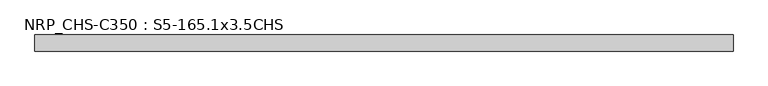
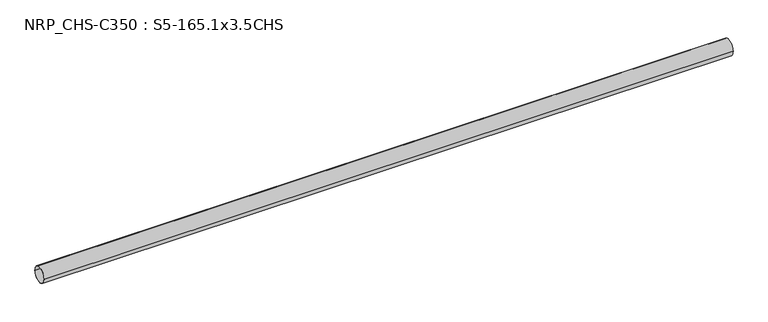
"""IFC4 building model written with IfcOpenShell, lengths in millimetres: beam geometry, NRP_CHS-C350 : S5-165.1x3.5CHS."""

from ifc_helpers import new_model, si_unit, point, frame, origin, origin_2d, place, context, project, spatial, circle_curve, trimmed, segment, composite_curve, outline, extrude, source, transform, mapped, element, save


def nrp_chs_c350_s5_165_1x3_5chs_5b59c82f(model_context):
    return source(origin(), model_context, "Body", "SweptSolid", [
        extrude(outline(composite_curve([segment(trimmed(circle_curve(origin_2d(), 82.55), [point((82.55, 0.0))], [point((-82.55, 0.0))], False, "CARTESIAN"), True, "CONTINUOUS"), segment(trimmed(circle_curve(origin_2d(), 82.55), [point((-82.55, 0.0))], [point((82.55, 0.0))], False, "CARTESIAN"), True, "CONTINUOUS")], self_intersect=False), holes=[composite_curve([segment(trimmed(circle_curve(origin_2d(), 79.05), [point((-79.05, 0.0))], [point((79.05, 0.0))], True, "CARTESIAN"), True, "CONTINUOUS"), segment(trimmed(circle_curve(origin_2d(), 79.05), [point((79.05, 0.0))], [point((-79.05, 0.0))], True, "CARTESIAN"), True, "CONTINUOUS")], self_intersect=False)]), frame((-3585.05, 0.0, 0.0), z_axis=(1.0, 0.0, 0.0), x_axis=(0.0, 1.0, 0.0)), (0.0, 0.0, 1.0), 7163.6),
    ])


if __name__ == "__main__":
    model = new_model("IFC4")
    model_context = context("Model", 3, world=origin())
    ifc_project = project(units=[si_unit("LENGTHUNIT", "METRE", prefix="MILLI")], contexts=[model_context])
    site = spatial("IfcSite", under=ifc_project)
    building = spatial("IfcBuilding", under=site)
    placement = place(None, origin())
    nrp_chs_c350_s5_165_1x3_5chs_shape = nrp_chs_c350_s5_165_1x3_5chs_5b59c82f(model_context)
    element("IfcBeam", 1, ObjectType="NRP_CHS-C350 : S5-165.1x3.5CHS", at=placement, inside=building, context=model_context, shape_type="MappedRepresentation", body=[
        mapped(nrp_chs_c350_s5_165_1x3_5chs_shape, transform((0.0, 0.0, 0.0), x_axis=(1.0, 0.0, 0.0), y_axis=(0.0, 1.0, 0.0), z_axis=(0.0, 0.0, 1.0))),
    ])
    save(model, "model.ifc")
